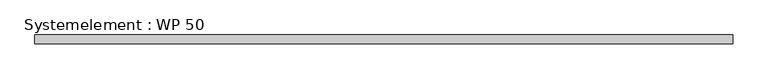
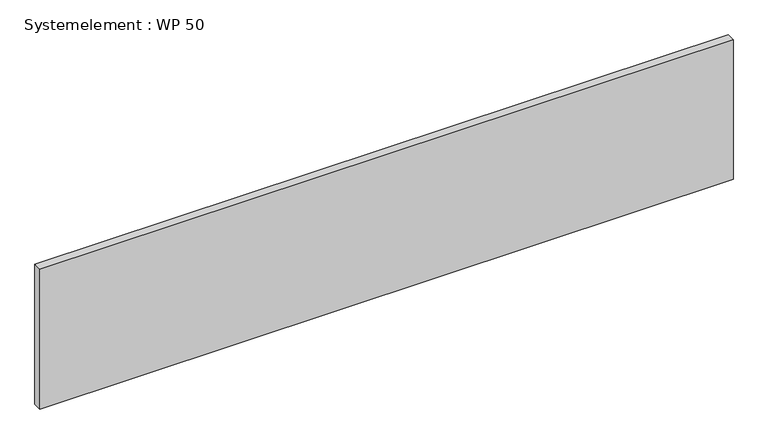
"""IFC4 building model written with IfcOpenShell, lengths in millimetres: plate geometry, Systemelement : WP 50."""

from ifc_helpers import new_model, si_unit, origin, origin_with_axes, place, context, project, spatial, polyline, outline, extrude, source, transform, mapped, element, save


def systemelement_wp_50_976be877(model_context):
    return source(origin(), model_context, "Body", "SweptSolid", [
        extrude(outline(polyline([(2000.0, -50.0), (-2000.0, -50.0), (-2000.0, 0.0), (2000.0, 0.0), (2000.0, -50.0)])), origin_with_axes(), (0.0, 0.0, 1.0), 851.6147161),
    ])


if __name__ == "__main__":
    model = new_model("IFC4")
    model_context = context("Model", 3, world=origin())
    ifc_project = project(units=[si_unit("LENGTHUNIT", "METRE", prefix="MILLI")], contexts=[model_context])
    site = spatial("IfcSite", under=ifc_project)
    building = spatial("IfcBuilding", under=site)
    placement = place(None, origin())
    systemelement_wp_50_shape = systemelement_wp_50_976be877(model_context)
    element("IfcPlate", 1, ObjectType="Systemelement : WP 50", at=placement, inside=building, context=model_context, shape_type="MappedRepresentation", body=[
        mapped(systemelement_wp_50_shape, transform((0.0, 0.0, 0.0), x_axis=(1.0, 0.0, 0.0), y_axis=(0.0, 1.0, 0.0), z_axis=(0.0, 0.0, 1.0))),
    ])
    save(model, "model.ifc")
